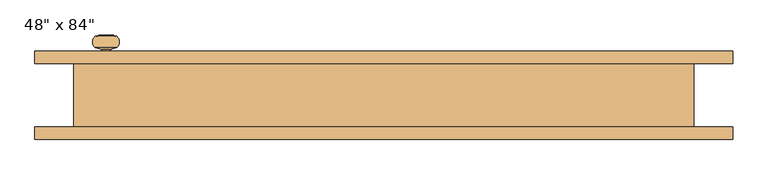
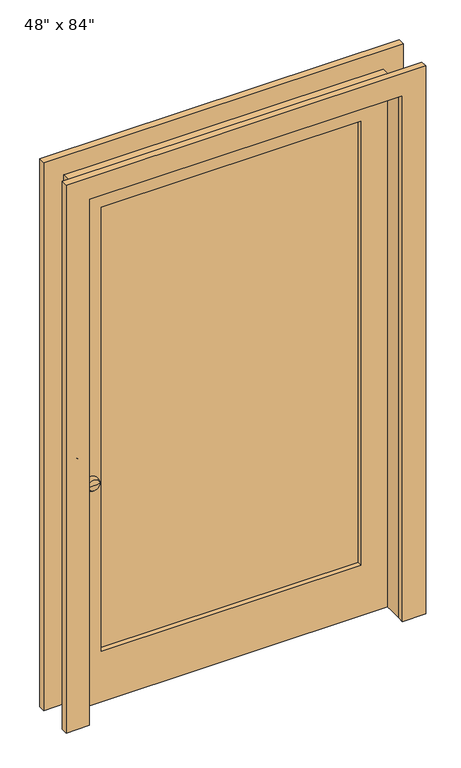
"""IFC4 building model written with IfcOpenShell, lengths in millimetres: door geometry."""

from ifc_helpers import new_model, si_unit, point, frame, origin, place, context, project, spatial, polyline, circle_curve, ellipse_curve, trimmed, outline, extrude, source, transform, mapped, element, save
from ifc_brep_helpers import plane_surface, cylinder_surface, revolved_surface, advanced_brep


def door_c44263e7(model_context):
    return source(origin(), model_context, "Body", "SolidModel", [
        extrude(outline(polyline([(2209.8, -685.8), (0.0, -685.8), (0.0, -596.9), (2120.9, -596.9), (2120.9, 596.9), (0.0, 596.9), (0.0, 685.8), (2209.8, 685.8), (2209.8, -685.8)])), frame((0.0, 61.9125, 0.0), z_axis=(0.0, 1.0, 0.0), x_axis=(0.0, 0.0, 1.0)), (0.0, 0.0, 1.0), 25.4),
        extrude(outline(polyline([(2209.8, 685.8), (2209.8, -685.8), (0.0, -685.8), (0.0, -596.9), (2120.9, -596.9), (2120.9, 596.9), (0.0, 596.9), (0.0, 685.8), (2209.8, 685.8)])), frame((0.0, -87.3125, 0.0), z_axis=(0.0, 1.0, 0.0), x_axis=(0.0, 0.0, 1.0)), (0.0, 0.0, 1.0), 25.4),
        extrude(outline(polyline([(2120.9, 596.9), (2120.9, -596.9), (0.0, -596.9), (0.0, 596.9), (2120.9, 596.9)]), holes=[polyline([(1993.9, 495.3), (203.2, 495.3), (203.2, -495.3), (1993.9, -495.3), (1993.9, 495.3)])]), frame((0.0, 11.1125, 0.0), z_axis=(0.0, 1.0, 0.0), x_axis=(0.0, 0.0, 1.0)), (0.0, 0.0, 1.0), 50.8),
        extrude(outline(polyline([(2133.6, 609.6), (2133.6, -609.6), (0.0, -609.6), (0.0, -596.9), (2120.9, -596.9), (2120.9, 596.9), (0.0, 596.9), (0.0, 609.6), (2133.6, 609.6)])), frame((0.0, -61.9125, 0.0), z_axis=(0.0, 1.0, 0.0), x_axis=(0.0, 0.0, 1.0)), (0.0, 0.0, 1.0), 123.825),
        extrude(outline(polyline([(495.3, 30.1625), (-495.3, 30.1625), (-495.3, 42.8625), (495.3, 42.8625), (495.3, 30.1625)])), frame((0.0, 0.0, 203.2), z_axis=(0.0, 0.0, 1.0), x_axis=(1.0, 0.0, 0.0)), (0.0, 0.0, 1.0), 1790.7),
        advanced_brep(
        [(-546.1, 61.9125, 914.4), (-553.5064417, 61.9125, 914.4), (-538.6935583, 61.9125, 914.4), (-553.5064417, 90.3637978, 914.4), (-538.6935583, 90.3637978, 914.4), (-567.3502241, 94.0732281, 914.4), (-524.8497759, 94.0732281, 914.4), (-567.3502241, 116.4533006, 914.4), (-524.8497759, 116.4533006, 914.4), (-546.1, 119.0625, 914.4)],
        [
            (0, 1),
            (1, 2, circle_curve(frame((-546.1, 61.9125, 914.4), z_axis=(0.0, -1.0, 0.0), x_axis=(-1.0, 0.0, 0.0)), 7.4064417)),
            (2, 0),
            (2, 1, circle_curve(frame((-546.1, 61.9125, 914.4), z_axis=(0.0, -1.0, 0.0), x_axis=(-1.0, 0.0, 0.0)), 7.4064417)),
            (1, 3),
            (3, 4, circle_curve(frame((-546.1, 90.3637978, 914.4), z_axis=(0.0, -1.0, 0.0), x_axis=(-1.0, 0.0, 0.0)), 7.4064417)),
            (4, 2),
            (4, 3, circle_curve(frame((-546.1, 90.3637978, 914.4), z_axis=(0.0, -1.0, 0.0), x_axis=(-1.0, 0.0, 0.0)), 7.4064417)),
            (3, 5),
            (5, 6, circle_curve(frame((-546.1, 94.0732281, 914.4), z_axis=(0.0, -1.0, 0.0), x_axis=(-1.0, 0.0, 0.0)), 21.2502241)),
            (6, 4),
            (6, 5, circle_curve(frame((-546.1, 94.0732281, 914.4), z_axis=(0.0, -1.0, 0.0), x_axis=(-1.0, 0.0, 0.0)), 21.2502241)),
            (5, 7, circle_curve(frame((-556.7958505, 105.2632643, 914.4), z_axis=(0.0, 0.0, -1.0), x_axis=(-1.0, 0.0, 0.0)), 15.3821882)),
            (7, 8, circle_curve(frame((-546.1, 116.4533006, 914.4), z_axis=(0.0, -1.0, 0.0), x_axis=(-1.0, 0.0, 0.0)), 21.2502241)),
            (8, 6, circle_curve(frame((-535.4041495, 105.2632643, 914.4), z_axis=(0.0, 0.0, -1.0), x_axis=(1.0, 0.0, 0.0)), 15.3821882)),
            (8, 7, circle_curve(frame((-546.1, 116.4533006, 914.4), z_axis=(0.0, -1.0, 0.0), x_axis=(-1.0, 0.0, 0.0)), 21.2502241)),
            (7, 9, circle_curve(frame((-546.1, 31.2233068, 914.4), z_axis=(0.0, 0.0, -1.0), x_axis=(-1.0, 0.0, 0.0)), 87.8391932)),
            (9, 8, circle_curve(frame((-546.1, 31.2233068, 914.4), z_axis=(0.0, 0.0, -1.0), x_axis=(1.0, 0.0, 0.0)), 87.8391932)),
        ],
        [
            plane_surface(frame((-546.1, 61.9125, 914.4), z_axis=(0.0, -1.0, 0.0), x_axis=(-1.0, 0.0, 0.0))),
            cylinder_surface(frame((-546.1, 68.2625, 914.4), z_axis=(0.0, -1.0, 0.0), x_axis=(-1.0, 0.0, 0.0)), 7.4064417),
            revolved_surface(polyline([(-567.3502241, 94.0732281, 914.4), (-553.5064417, 90.3637978, 914.4)]), (-546.1, 68.2625, 914.4), (0.0, -1.0, 0.0)),
            revolved_surface(trimmed(ellipse_curve(frame((-556.7958505, 105.2632643, 914.4), z_axis=(0.0, 0.0, 1.0), x_axis=(-1.0, 0.0, 0.0)), 15.3821882, 15.3821882), [point((-567.3502241, 116.4533006, 914.4))], [point((-567.3502241, 94.0732281, 914.4))], True, "CARTESIAN"), (-546.1, 68.2625, 914.4), (0.0, -1.0, 0.0)),
            revolved_surface(trimmed(ellipse_curve(frame((-546.1, 31.2233068, 914.4), z_axis=(0.0, 0.0, 1.0), x_axis=(-1.0, 0.0, 0.0)), 87.8391932, 87.8391932), [point((-546.1, 119.0625, 914.4))], [point((-567.3502241, 116.4533006, 914.4))], True, "CARTESIAN"), (-546.1, 68.2625, 914.4), (0.0, -1.0, 0.0)),
        ],
        [
            (0, [[1, 2, 3]]),
            (0, [[-3, 4, -1]]),
            (1, [[-2, 5, 6, 7]]),
            (1, [[-4, -7, 8, -5]]),
            (2, [[-6, 9, 10, 11]]),
            (2, [[-8, -11, 12, -9]]),
            (3, [[-10, 13, 14, 15]]),
            (3, [[-12, -15, 16, -13]]),
            (4, [[-14, 17, 18]]),
            (4, [[-16, -18, -17]]),
        ],
    ),
        advanced_brep(
        [(-538.6935583, 25.4, 914.4), (-553.5064417, 25.4, 914.4), (-546.1, 25.4, 914.4), (-538.6935583, -3.0512978, 914.4), (-553.5064417, -3.0512978, 914.4), (-524.8497759, -6.7607281, 914.4), (-567.3502241, -6.7607281, 914.4), (-524.0998593, -28.3826739, 914.4), (-568.1001407, -28.3826739, 914.4), (-546.1, -31.75, 914.4)],
        [
            (0, 1, circle_curve(frame((-546.1, 25.4, 914.4), z_axis=(0.0, 1.0, 0.0), x_axis=(-1.0, 0.0, 0.0)), 7.4064417)),
            (1, 2),
            (2, 0),
            (1, 0, circle_curve(frame((-546.1, 25.4, 914.4), z_axis=(0.0, 1.0, 0.0), x_axis=(-1.0, 0.0, 0.0)), 7.4064417)),
            (3, 4, circle_curve(frame((-546.1, -3.0512978, 914.4), z_axis=(0.0, 1.0, 0.0), x_axis=(-1.0, 0.0, 0.0)), 7.4064417)),
            (4, 1),
            (0, 3),
            (4, 3, circle_curve(frame((-546.1, -3.0512978, 914.4), z_axis=(0.0, 1.0, 0.0), x_axis=(-1.0, 0.0, 0.0)), 7.4064417)),
            (5, 6, circle_curve(frame((-546.1, -6.7607281, 914.4), z_axis=(0.0, 1.0, 0.0), x_axis=(-1.0, 0.0, 0.0)), 21.2502241)),
            (6, 4),
            (3, 5),
            (6, 5, circle_curve(frame((-546.1, -6.7607281, 914.4), z_axis=(0.0, 1.0, 0.0), x_axis=(-1.0, 0.0, 0.0)), 21.2502241)),
            (7, 8, circle_curve(frame((-546.1, -28.3826739, 914.4), z_axis=(0.0, 1.0, 0.0), x_axis=(-1.0, 0.0, 0.0)), 22.0001407)),
            (8, 6, circle_curve(frame((-556.7958505, -17.9507643, 914.4), z_axis=(0.0, 0.0, -1.0), x_axis=(-1.0, 0.0, 0.0)), 15.3821882)),
            (5, 7, circle_curve(frame((-535.4041495, -17.9507643, 914.4), z_axis=(0.0, 0.0, -1.0), x_axis=(1.0, 0.0, 0.0)), 15.3821882)),
            (8, 7, circle_curve(frame((-546.1, -28.3826739, 914.4), z_axis=(0.0, 1.0, 0.0), x_axis=(-1.0, 0.0, 0.0)), 22.0001407)),
            (9, 8, circle_curve(frame((-546.1, 41.8016932, 914.4), z_axis=(0.0, 0.0, -1.0), x_axis=(-1.0, 0.0, 0.0)), 73.5516932)),
            (7, 9, circle_curve(frame((-546.1, 41.8016932, 914.4), z_axis=(0.0, 0.0, -1.0), x_axis=(1.0, 0.0, 0.0)), 73.5516932)),
        ],
        [
            plane_surface(frame((-546.1, 25.4, 914.4), z_axis=(0.0, 1.0, 0.0), x_axis=(-1.0, 0.0, 0.0))),
            cylinder_surface(frame((-546.1, 19.05, 914.4), z_axis=(0.0, -1.0, 0.0), x_axis=(-1.0, 0.0, 0.0)), 7.4064417),
            revolved_surface(polyline([(-553.5064417, -3.0512978, 914.4), (-567.3502241, -6.7607281, 914.4)]), (-546.1, 19.05, 914.4), (0.0, -1.0, 0.0)),
            revolved_surface(trimmed(ellipse_curve(frame((-556.7958505, -17.9507643, 914.4), z_axis=(0.0, 0.0, 1.0), x_axis=(-1.0, 0.0, 0.0)), 15.3821882, 15.3821882), [point((-567.3502241, -6.7607281, 914.4))], [point((-568.1001407, -28.3826739, 914.4))], True, "CARTESIAN"), (-546.1, 19.05, 914.4), (0.0, -1.0, 0.0)),
            revolved_surface(trimmed(ellipse_curve(frame((-546.1, 41.8016932, 914.4), z_axis=(0.0, 0.0, 1.0), x_axis=(-1.0, 0.0, 0.0)), 73.5516932, 73.5516932), [point((-568.1001407, -28.3826739, 914.4))], [point((-546.1, -31.75, 914.4))], True, "CARTESIAN"), (-546.1, 19.05, 914.4), (0.0, -1.0, 0.0)),
        ],
        [
            (0, [[1, 2, 3]]),
            (0, [[4, -3, -2]]),
            (1, [[5, 6, -1, 7]]),
            (1, [[8, -7, -4, -6]]),
            (2, [[9, 10, -5, 11]]),
            (2, [[12, -11, -8, -10]]),
            (3, [[13, 14, -9, 15]]),
            (3, [[16, -15, -12, -14]]),
            (4, [[17, -13, 18]]),
            (4, [[-18, -16, -17]]),
        ],
    ),
    ])


if __name__ == "__main__":
    model = new_model("IFC4")
    model_context = context("Model", 3, world=origin())
    ifc_project = project(units=[si_unit("LENGTHUNIT", "METRE", prefix="MILLI")], contexts=[model_context])
    site = spatial("IfcSite", under=ifc_project)
    building = spatial("IfcBuilding", under=site)
    placement = place(None, origin())
    door_shape = door_c44263e7(model_context)
    element("IfcDoor", 1, ObjectType="48\" x 84\"", at=placement, inside=building, context=model_context, shape_type="MappedRepresentation", body=[
        mapped(door_shape, transform((0.0, 0.0, 0.0), x_axis=(1.0, 0.0, 0.0), y_axis=(0.0, 1.0, 0.0), z_axis=(0.0, 0.0, 1.0))),
    ])
    save(model, "model.ifc")
